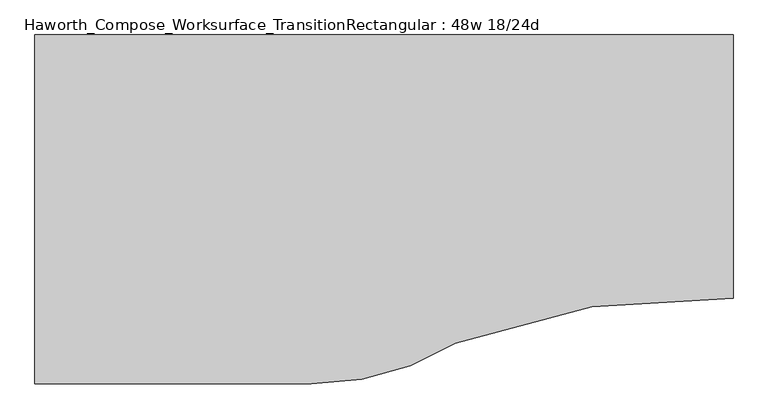
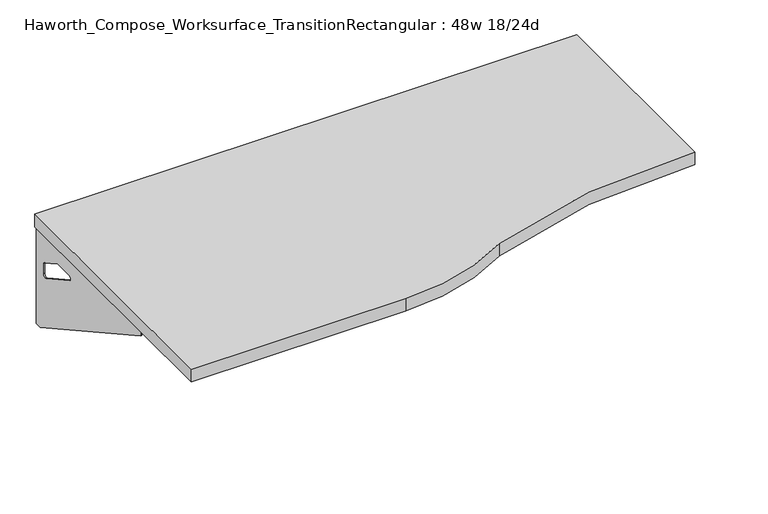
"""IFC4 building model written with IfcOpenShell, lengths in millimetres: furniture geometry, Haworth_Compose_Worksurface_TransitionRectangular : 48w 18/24d."""

from ifc_helpers import new_model, si_unit, point, frame, frame_2d, origin, place, context, project, spatial, polyline, circle_curve, trimmed, segment, composite_curve, outline, extrude, source, transform, mapped, element, save
from ifc_brep_helpers import plane_surface, revolved_surface, advanced_brep


def haworth_compose_worksurface_transitionrectangular_48w_18_24d_52924299(model_context):
    return source(origin(), model_context, "Body", "SolidModel", [
        advanced_brep(
        [(584.99375, 152.4, 475.45625), (584.99375, 136.525, 475.45625), (584.99375, -254.0, 691.7192568), (584.99375, -254.0, 704.05625), (584.99375, 136.525, 704.05625), (584.99375, 152.4, 704.05625), (584.99375, 69.090072, 665.95625), (584.99375, 25.4355284, 665.95625), (584.99375, 22.7564235, 656.3705539), (584.99375, 114.4776173, 605.5776439), (584.99375, 123.825, 611.1756969), (584.99375, 123.825, 634.6860246), (584.99375, 122.0730055, 637.5242776), (584.99375, 72.1663437, 665.1613425), (587.375, 152.4, 475.45625), (587.375, 152.4, 704.05625), (587.375, 136.525, 704.05625), (587.375, 136.525, 706.4375), (587.375, -254.0, 706.4375), (587.375, -254.0, 691.7192568), (587.375, 136.525, 475.45625), (587.375, 69.090072, 665.95625), (587.375, 72.1663437, 665.1613425), (587.375, 122.0730055, 637.5242776), (587.375, 123.825, 634.6860246), (587.375, 123.825, 611.1756969), (587.375, 114.4776173, 605.5776439), (587.375, 22.7564235, 656.3705539), (587.375, 25.4355284, 665.95625), (546.1, -254.0, 706.4375), (546.1, -254.0, 704.05625), (546.1, 136.525, 704.05625), (546.1, 136.525, 706.4375)],
        [
            (0, 1),
            (1, 2),
            (2, 3),
            (3, 4),
            (4, 5),
            (5, 0),
            (6, 7),
            (7, 8, circle_curve(frame((584.99375, 25.4355284, 660.7890106), z_axis=(1.0, 0.0, 0.0), x_axis=(0.0, -1.0, 0.0)), 5.1672394)),
            (8, 9),
            (9, 10, circle_curve(frame((584.99375, 117.475, 611.1756969), z_axis=(1.0, 0.0, 0.0), x_axis=(0.0, -1.0, 0.0)), 6.35)),
            (10, 11),
            (11, 12, circle_curve(frame((584.99375, 120.65, 634.6860246), z_axis=(1.0, 0.0, 0.0), x_axis=(0.0, -1.0, 0.0)), 3.175)),
            (12, 13),
            (13, 6, circle_curve(frame((584.99375, 69.090072, 659.60625), z_axis=(1.0, 0.0, 0.0), x_axis=(0.0, -1.0, 0.0)), 6.35)),
            (14, 15),
            (15, 16),
            (16, 17),
            (17, 18),
            (18, 19),
            (19, 20),
            (20, 14),
            (21, 22, circle_curve(frame((587.375, 69.090072, 659.60625), z_axis=(-1.0, 0.0, 0.0), x_axis=(0.0, -1.0, 0.0)), 6.35)),
            (22, 23),
            (23, 24, circle_curve(frame((587.375, 120.65, 634.6860246), z_axis=(-1.0, 0.0, 0.0), x_axis=(0.0, -1.0, 0.0)), 3.175)),
            (24, 25),
            (25, 26, circle_curve(frame((587.375, 117.475, 611.1756969), z_axis=(-1.0, 0.0, 0.0), x_axis=(0.0, -1.0, 0.0)), 6.35)),
            (26, 27),
            (27, 28, circle_curve(frame((587.375, 25.4355284, 660.7890106), z_axis=(-1.0, 0.0, 0.0), x_axis=(0.0, -1.0, 0.0)), 5.1672394)),
            (28, 21),
            (4, 16),
            (15, 5),
            (14, 0),
            (20, 1),
            (19, 2),
            (18, 29),
            (29, 30),
            (30, 3),
            (6, 21),
            (28, 7),
            (9, 26),
            (25, 10),
            (24, 11),
            (23, 12),
            (27, 8),
            (31, 4),
            (30, 31),
            (32, 29),
            (17, 32),
            (31, 32),
            (22, 13),
        ],
        [
            plane_surface(frame((584.99375, 152.4, 475.45625), z_axis=(-1.0, 0.0, 0.0), x_axis=(0.0, 1.0, 0.0))),
            plane_surface(frame((587.375, 152.4, 475.45625), z_axis=(1.0, 0.0, 0.0), x_axis=(0.0, -1.0, 0.0))),
            plane_surface(frame((587.375, -254.0, 704.05625), z_axis=(0.0, 0.0, 1.0), x_axis=(-1.0, 0.0, 0.0))),
            plane_surface(frame((587.375, 152.4, 704.05625), z_axis=(0.0, 1.0, 0.0), x_axis=(-1.0, 0.0, 0.0))),
            plane_surface(frame((587.375, 152.4, 475.45625), z_axis=(0.0, 0.0, -1.0), x_axis=(-1.0, 0.0, 0.0))),
            plane_surface(frame((587.375, 136.525, 475.45625), z_axis=(0.0, -0.48445223513455843, -0.8748177135112952), x_axis=(-1.0, 0.0, 0.0))),
            plane_surface(frame((587.375, -254.0, 691.7192568), z_axis=(0.0, -1.0, 0.0), x_axis=(-1.0, 0.0, 0.0))),
            plane_surface(frame((587.375, 69.090072, 665.95625), z_axis=(0.0, 0.0, -1.0), x_axis=(-1.0, 0.0, 0.0))),
            revolved_surface(polyline([(584.99375, 111.125, 611.1756969), (587.375, 111.125, 611.1756969)]), (587.375, 117.475, 611.1756969), (-1.0, 0.0, 0.0)),
            plane_surface(frame((587.375, 123.825, 611.1756969), z_axis=(0.0, -1.0, 0.0), x_axis=(-1.0, 0.0, 0.0))),
            revolved_surface(polyline([(584.99375, 117.47500000000001, 634.6860246), (587.375, 117.47500000000001, 634.6860246)]), (587.375, 120.65, 634.6860246), (-1.0, 0.0, 0.0)),
            revolved_surface(polyline([(584.99375, 20.268289, 660.7890106), (587.375, 20.268289, 660.7890106)]), (587.375, 25.4355284, 660.7890106), (-1.0, 0.0, 0.0)),
            plane_surface(frame((587.375, 136.525, 704.05625), z_axis=(0.0, 0.0, -1.0), x_axis=(-1.0, 0.0, 0.0))),
            plane_surface(frame((587.375, 136.525, 706.4375), z_axis=(0.0, 0.0, 1.0), x_axis=(1.0, 0.0, 0.0))),
            plane_surface(frame((546.1, 136.525, 706.4375), z_axis=(0.0, 1.0, 0.0), x_axis=(0.0, 0.0, -1.0))),
            plane_surface(frame((546.1, -254.0, 706.4375), z_axis=(-1.0, 0.0, 0.0), x_axis=(0.0, 0.0, -1.0))),
            plane_surface(frame((587.375, 22.7564235, 656.3705539), z_axis=(0.0, 0.4844522351345583, 0.8748177135112953), x_axis=(-1.0, 0.0, 0.0))),
            plane_surface(frame((587.375, 122.0730055, 637.5242776), z_axis=(0.0, -0.4844522351345582, -0.8748177135112953), x_axis=(-1.0, 0.0, 0.0))),
            revolved_surface(polyline([(584.99375, 62.740072000000005, 659.60625), (587.375, 62.740072000000005, 659.60625)]), (587.375, 69.090072, 659.60625), (-1.0, 0.0, 0.0)),
        ],
        [
            (0, [[1, 2, 3, 4, 5, 6], [7, 8, 9, 10, 11, 12, 13, 14]]),
            (1, [[15, 16, 17, 18, 19, 20, 21], [22, 23, 24, 25, 26, 27, 28, 29]]),
            (2, [[-5, 30, -16, 31]]),
            (3, [[-31, -15, 32, -6]]),
            (4, [[-32, -21, 33, -1]]),
            (5, [[-33, -20, 34, -2]]),
            (6, [[-34, -19, 35, 36, 37, -3]]),
            (7, [[38, -29, 39, -7]]),
            (8, [[40, -26, 41, -10]]),
            (9, [[-41, -25, 42, -11]]),
            (10, [[-42, -24, 43, -12]]),
            (11, [[-39, -28, 44, -8]]),
            (12, [[45, -4, -37, 46]]),
            (13, [[47, -35, -18, 48]]),
            (14, [[-17, -30, -45, 49, -48]]),
            (15, [[-36, -47, -49, -46]]),
            (16, [[-44, -27, -40, -9]]),
            (17, [[-43, -23, 50, -13]]),
            (18, [[-50, -22, -38, -14]]),
        ],
    ),
        advanced_brep(
        [(-623.09375, 152.4, 475.45625), (-623.09375, 152.4, 704.05625), (-623.09375, 136.525, 704.05625), (-623.09375, -254.0, 704.05625), (-623.09375, -254.0, 691.7192568), (-623.09375, 136.525, 475.45625), (-623.09375, 69.090072, 665.95625), (-623.09375, 72.1663437, 665.1613425), (-623.09375, 122.0730055, 637.5242776), (-623.09375, 123.825, 634.6860246), (-623.09375, 123.825, 611.1756969), (-623.09375, 114.4776173, 605.5776439), (-623.09375, 22.7564235, 656.3705539), (-623.09375, 25.4355284, 665.95625), (-625.475, 152.4, 475.45625), (-625.475, 136.525, 475.45625), (-625.475, -254.0, 691.7192568), (-625.475, -254.0, 706.4375), (-625.475, 136.525, 706.4375), (-625.475, 136.525, 704.05625), (-625.475, 152.4, 704.05625), (-625.475, 69.090072, 665.95625), (-625.475, 25.4355284, 665.95625), (-625.475, 22.7564235, 656.3705539), (-625.475, 114.4776173, 605.5776439), (-625.475, 123.825, 611.1756969), (-625.475, 123.825, 634.6860246), (-625.475, 122.0730055, 637.5242776), (-625.475, 72.1663437, 665.1613425), (-584.2, -254.0, 704.05625), (-584.2, -254.0, 706.4375), (-584.2, 136.525, 704.05625), (-584.2, 136.525, 706.4375)],
        [
            (0, 1),
            (1, 2),
            (2, 3),
            (3, 4),
            (4, 5),
            (5, 0),
            (6, 7, circle_curve(frame((-623.09375, 69.090072, 659.60625), z_axis=(-1.0, 0.0, 0.0), x_axis=(0.0, -1.0, 0.0)), 6.35)),
            (7, 8),
            (8, 9, circle_curve(frame((-623.09375, 120.65, 634.6860246), z_axis=(-1.0, 0.0, 0.0), x_axis=(0.0, -1.0, 0.0)), 3.175)),
            (9, 10),
            (10, 11, circle_curve(frame((-623.09375, 117.475, 611.1756969), z_axis=(-1.0, 0.0, 0.0), x_axis=(0.0, -1.0, 0.0)), 6.35)),
            (11, 12),
            (12, 13, circle_curve(frame((-623.09375, 25.4355284, 660.7890106), z_axis=(-1.0, 0.0, 0.0), x_axis=(0.0, -1.0, 0.0)), 5.1672394)),
            (13, 6),
            (14, 15),
            (15, 16),
            (16, 17),
            (17, 18),
            (18, 19),
            (19, 20),
            (20, 14),
            (21, 22),
            (22, 23, circle_curve(frame((-625.475, 25.4355284, 660.7890106), z_axis=(1.0, 0.0, 0.0), x_axis=(0.0, -1.0, 0.0)), 5.1672394)),
            (23, 24),
            (24, 25, circle_curve(frame((-625.475, 117.475, 611.1756969), z_axis=(1.0, 0.0, 0.0), x_axis=(0.0, -1.0, 0.0)), 6.35)),
            (25, 26),
            (26, 27, circle_curve(frame((-625.475, 120.65, 634.6860246), z_axis=(1.0, 0.0, 0.0), x_axis=(0.0, -1.0, 0.0)), 3.175)),
            (27, 28),
            (28, 21, circle_curve(frame((-625.475, 69.090072, 659.60625), z_axis=(1.0, 0.0, 0.0), x_axis=(0.0, -1.0, 0.0)), 6.35)),
            (1, 20),
            (19, 2),
            (0, 14),
            (5, 15),
            (4, 16),
            (3, 29),
            (29, 30),
            (30, 17),
            (13, 22),
            (21, 6),
            (10, 25),
            (24, 11),
            (9, 26),
            (8, 27),
            (12, 23),
            (31, 29),
            (2, 31),
            (32, 18),
            (30, 32),
            (32, 31),
            (7, 28),
        ],
        [
            plane_surface(frame((-623.09375, 152.4, 475.45625), z_axis=(1.0, 0.0, 0.0), x_axis=(0.0, 1.0, 0.0))),
            plane_surface(frame((-625.475, 152.4, 475.45625), z_axis=(-1.0, 0.0, 0.0), x_axis=(0.0, -1.0, 0.0))),
            plane_surface(frame((-625.475, -254.0, 704.05625), z_axis=(0.0, 0.0, 1.0), x_axis=(1.0, 0.0, 0.0))),
            plane_surface(frame((-625.475, 152.4, 704.05625), z_axis=(0.0, 1.0, 0.0), x_axis=(1.0, 0.0, 0.0))),
            plane_surface(frame((-625.475, 152.4, 475.45625), z_axis=(0.0, 0.0, -1.0), x_axis=(1.0, 0.0, 0.0))),
            plane_surface(frame((-625.475, 136.525, 475.45625), z_axis=(0.0, -0.48445223513455843, -0.8748177135112952), x_axis=(1.0, 0.0, 0.0))),
            plane_surface(frame((-625.475, -254.0, 691.7192568), z_axis=(0.0, -1.0, 0.0), x_axis=(1.0, 0.0, 0.0))),
            plane_surface(frame((-625.475, 69.090072, 665.95625), z_axis=(0.0, 0.0, -1.0), x_axis=(1.0, 0.0, 0.0))),
            revolved_surface(polyline([(-623.09375, 111.125, 611.1756969), (-625.475, 111.125, 611.1756969)]), (-625.475, 117.475, 611.1756969), (1.0, 0.0, 0.0)),
            plane_surface(frame((-625.475, 123.825, 611.1756969), z_axis=(0.0, -1.0, 0.0), x_axis=(1.0, 0.0, 0.0))),
            revolved_surface(polyline([(-623.09375, 117.47500000000001, 634.6860246), (-625.475, 117.47500000000001, 634.6860246)]), (-625.475, 120.65, 634.6860246), (1.0, 0.0, 0.0)),
            revolved_surface(polyline([(-623.09375, 20.268289, 660.7890106), (-625.475, 20.268289, 660.7890106)]), (-625.475, 25.4355284, 660.7890106), (1.0, 0.0, 0.0)),
            plane_surface(frame((-625.475, 136.525, 704.05625), z_axis=(0.0, 0.0, -1.0), x_axis=(1.0, 0.0, 0.0))),
            plane_surface(frame((-625.475, 136.525, 706.4375), z_axis=(0.0, 0.0, 1.0), x_axis=(-1.0, 0.0, 0.0))),
            plane_surface(frame((-584.2, 136.525, 706.4375), z_axis=(0.0, 1.0, 0.0), x_axis=(0.0, 0.0, -1.0))),
            plane_surface(frame((-584.2, -254.0, 706.4375), z_axis=(1.0, 0.0, 0.0), x_axis=(0.0, 0.0, -1.0))),
            plane_surface(frame((-625.475, 22.7564235, 656.3705539), z_axis=(0.0, 0.4844522351345583, 0.8748177135112953), x_axis=(1.0, 0.0, 0.0))),
            plane_surface(frame((-625.475, 122.0730055, 637.5242776), z_axis=(0.0, -0.4844522351345582, -0.8748177135112953), x_axis=(1.0, 0.0, 0.0))),
            revolved_surface(polyline([(-623.09375, 62.740072000000005, 659.60625), (-625.475, 62.740072000000005, 659.60625)]), (-625.475, 69.090072, 659.60625), (1.0, 0.0, 0.0)),
        ],
        [
            (0, [[1, 2, 3, 4, 5, 6], [7, 8, 9, 10, 11, 12, 13, 14]]),
            (1, [[15, 16, 17, 18, 19, 20, 21], [22, 23, 24, 25, 26, 27, 28, 29]]),
            (2, [[30, -20, 31, -2]]),
            (3, [[-1, 32, -21, -30]]),
            (4, [[-6, 33, -15, -32]]),
            (5, [[-5, 34, -16, -33]]),
            (6, [[-4, 35, 36, 37, -17, -34]]),
            (7, [[-14, 38, -22, 39]]),
            (8, [[-11, 40, -25, 41]]),
            (9, [[-10, 42, -26, -40]]),
            (10, [[-9, 43, -27, -42]]),
            (11, [[-13, 44, -23, -38]]),
            (12, [[45, -35, -3, 46]]),
            (13, [[47, -18, -37, 48]]),
            (14, [[-47, 49, -46, -31, -19]]),
            (15, [[-45, -49, -48, -36]]),
            (16, [[-12, -41, -24, -44]]),
            (17, [[-8, 50, -28, -43]]),
            (18, [[-7, -39, -29, -50]]),
        ],
    ),
        extrude(outline(composite_curve([segment(trimmed(circle_curve(frame_2d((539.7932653, -1525.6064208)), 1219.2), [point((590.55, -307.4634103))], [point((105.7318841, -386.2911188))], True, "CARTESIAN"), True, "CONTINUOUS"), segment(trimmed(circle_curve(frame_2d((-146.0878584, 25.4)), 482.6), [point((105.7318841, -386.2911188))], [point((-146.0878584, -457.2))], False, "CARTESIAN"), True, "CONTINUOUS"), segment(polyline([(-146.0878584, -457.2), (-628.65, -457.2), (-628.65, 152.4), (590.55, 152.4), (590.55, -307.4634103)]), True, "CONTINUOUS")], self_intersect=False)), frame((0.0, 0.0, 706.4375), z_axis=(0.0, 0.0, 1.0), x_axis=(1.0, 0.0, 0.0)), (0.0, 0.0, 1.0), 30.1625),
    ])


if __name__ == "__main__":
    model = new_model("IFC4")
    model_context = context("Model", 3, world=origin())
    ifc_project = project(units=[si_unit("LENGTHUNIT", "METRE", prefix="MILLI")], contexts=[model_context])
    site = spatial("IfcSite", under=ifc_project)
    building = spatial("IfcBuilding", under=site)
    placement = place(None, origin())
    haworth_compose_worksurface_transitionrectangular_48w_18_24d_shape = haworth_compose_worksurface_transitionrectangular_48w_18_24d_52924299(model_context)
    element("IfcFurniture", 1, ObjectType="Haworth_Compose_Worksurface_TransitionRectangular : 48w 18/24d", at=placement, inside=building, context=model_context, shape_type="MappedRepresentation", body=[
        mapped(haworth_compose_worksurface_transitionrectangular_48w_18_24d_shape, transform((0.0, 0.0, 0.0), x_axis=(1.0, 0.0, 0.0), y_axis=(0.0, 1.0, 0.0), z_axis=(0.0, 0.0, 1.0))),
    ])
    save(model, "model.ifc")
